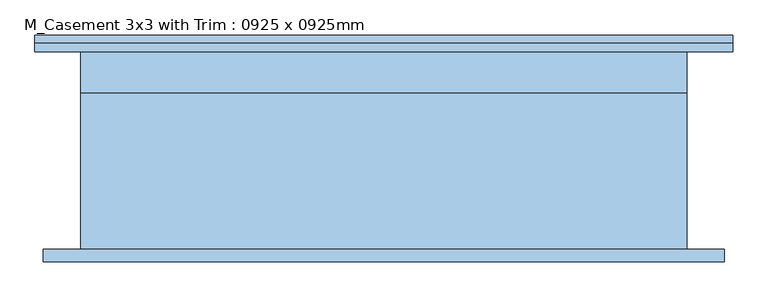
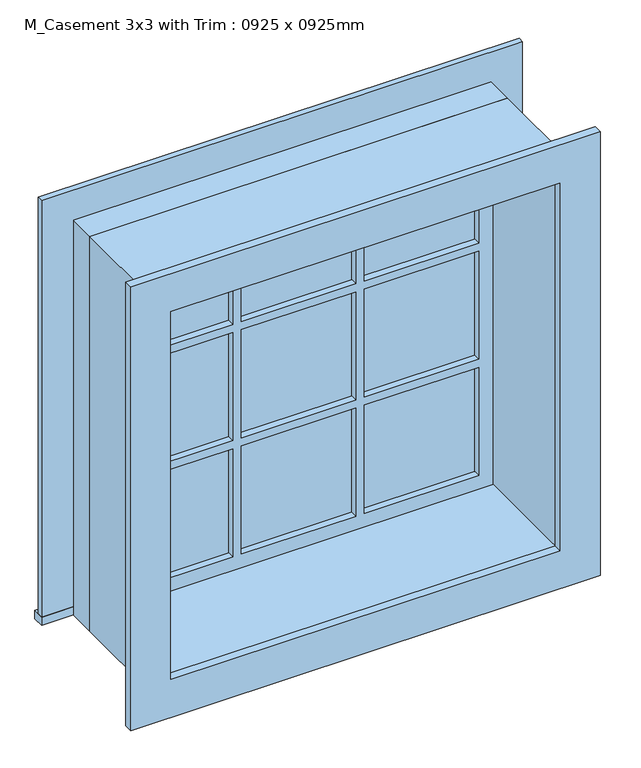
"""IFC4 building model written with IfcOpenShell, lengths in millimetres: window geometry, M_Casement 3x3 with Trim : 0925 x 0925mm."""

from ifc_helpers import new_model, si_unit, frame, origin, place, context, project, spatial, polyline, outline, extrude, source, transform, mapped, element, save


def m_casement_3x3_with_trim_0925_x_0925mm_8fae81ed(model_context):
    return source(origin(), model_context, "Body", "SweptSolid", [
        extrude(outline(polyline([(-532.45, 176.2), (532.45, 176.2), (532.45, 150.5), (-532.45, 150.5), (-532.45, 176.2)])), frame((0.0, 0.0, 915.0), z_axis=(0.0, 0.0, 1.0), x_axis=(1.0, 0.0, 0.0)), (0.0, 0.0, 1.0), 19.05),
        extrude(outline(polyline([(1820.95, -443.45), (1820.95, 443.45), (934.05, 443.45), (934.05, 532.45), (1909.95, 532.45), (1909.95, -532.45), (934.05, -532.45), (934.05, -443.45), (1820.95, -443.45)])), frame((0.0, 150.5, 0.0), z_axis=(0.0, 1.0, 0.0), x_axis=(0.0, 0.0, 1.0)), (0.0, 0.0, 1.0), 13.0),
        extrude(outline(polyline([(145.7, 115.625), (399.0, 115.625), (399.0, 102.925), (145.7, 102.925), (145.7, 115.625)])), frame((0.0, 0.0, 1523.2), z_axis=(0.0, 0.0, 1.0), x_axis=(1.0, 0.0, 0.0)), (0.0, 0.0, 1.0), 253.3),
        extrude(outline(polyline([(-126.65, 115.625), (126.65, 115.625), (126.65, 102.925), (-126.65, 102.925), (-126.65, 115.625)])), frame((0.0, 0.0, 1523.2), z_axis=(0.0, 0.0, 1.0), x_axis=(1.0, 0.0, 0.0)), (0.0, 0.0, 1.0), 253.3),
        extrude(outline(polyline([(-399.0, 115.625), (-145.7, 115.625), (-145.7, 102.925), (-399.0, 102.925), (-399.0, 115.625)])), frame((0.0, 0.0, 1523.2), z_axis=(0.0, 0.0, 1.0), x_axis=(1.0, 0.0, 0.0)), (0.0, 0.0, 1.0), 253.3),
        extrude(outline(polyline([(-399.0, 115.625), (-145.7, 115.625), (-145.7, 102.925), (-399.0, 102.925), (-399.0, 115.625)])), frame((0.0, 0.0, 1250.85), z_axis=(0.0, 0.0, 1.0), x_axis=(1.0, 0.0, 0.0)), (0.0, 0.0, 1.0), 253.3),
        extrude(outline(polyline([(-126.65, 115.625), (126.65, 115.625), (126.65, 102.925), (-126.65, 102.925), (-126.65, 115.625)])), frame((0.0, 0.0, 1250.85), z_axis=(0.0, 0.0, 1.0), x_axis=(1.0, 0.0, 0.0)), (0.0, 0.0, 1.0), 253.3),
        extrude(outline(polyline([(145.7, 115.625), (399.0, 115.625), (399.0, 102.925), (145.7, 102.925), (145.7, 115.625)])), frame((0.0, 0.0, 1250.85), z_axis=(0.0, 0.0, 1.0), x_axis=(1.0, 0.0, 0.0)), (0.0, 0.0, 1.0), 253.3),
        extrude(outline(polyline([(145.7, 115.625), (399.0, 115.625), (399.0, 102.925), (145.7, 102.925), (145.7, 115.625)])), frame((0.0, 0.0, 978.5), z_axis=(0.0, 0.0, 1.0), x_axis=(1.0, 0.0, 0.0)), (0.0, 0.0, 1.0), 253.3),
        extrude(outline(polyline([(-126.65, 115.625), (126.65, 115.625), (126.65, 102.925), (-126.65, 102.925), (-126.65, 115.625)])), frame((0.0, 0.0, 978.5), z_axis=(0.0, 0.0, 1.0), x_axis=(1.0, 0.0, 0.0)), (0.0, 0.0, 1.0), 253.3),
        extrude(outline(polyline([(-399.0, 115.625), (-145.7, 115.625), (-145.7, 102.925), (-399.0, 102.925), (-399.0, 115.625)])), frame((0.0, 0.0, 978.5), z_axis=(0.0, 0.0, 1.0), x_axis=(1.0, 0.0, 0.0)), (0.0, 0.0, 1.0), 253.3),
        extrude(outline(polyline([(1897.25, 519.75), (1897.25, -519.75), (857.75, -519.75), (857.75, 519.75), (1897.25, 519.75)]), holes=[polyline([(1808.25, 430.75), (946.75, 430.75), (946.75, -430.75), (1808.25, -430.75), (1808.25, 430.75)])]), frame((0.0, -169.5, 0.0), z_axis=(0.0, 1.0, 0.0), x_axis=(0.0, 0.0, 1.0)), (0.0, 0.0, 1.0), 19.0),
        extrude(outline(polyline([(1820.95, -443.45), (934.05, -443.45), (934.05, 443.45), (1820.95, 443.45), (1820.95, -443.45)]), holes=[polyline([(1776.5, -145.7), (1523.2, -145.7), (1523.2, -399.0), (1776.5, -399.0), (1776.5, -145.7)]), polyline([(1504.15, -145.7), (1250.85, -145.7), (1250.85, -399.0), (1504.15, -399.0), (1504.15, -145.7)]), polyline([(1231.8, -145.7), (978.5, -145.7), (978.5, -399.0), (1231.8, -399.0), (1231.8, -145.7)]), polyline([(1776.5, 126.65), (1523.2, 126.65), (1523.2, -126.65), (1776.5, -126.65), (1776.5, 126.65)]), polyline([(1504.15, 126.65), (1250.85, 126.65), (1250.85, -126.65), (1504.15, -126.65), (1504.15, 126.65)]), polyline([(1231.8, 126.65), (978.5, 126.65), (978.5, -126.65), (1231.8, -126.65), (1231.8, 126.65)]), polyline([(1776.5, 399.0), (1523.2, 399.0), (1523.2, 145.7), (1776.5, 145.7), (1776.5, 399.0)]), polyline([(1504.15, 399.0), (1250.85, 399.0), (1250.85, 145.7), (1504.15, 145.7), (1504.15, 399.0)]), polyline([(1231.8, 399.0), (978.5, 399.0), (978.5, 145.7), (1231.8, 145.7), (1231.8, 399.0)])]), frame((0.0, 87.05, 0.0), z_axis=(0.0, 1.0, 0.0), x_axis=(0.0, 0.0, 1.0)), (0.0, 0.0, 1.0), 44.45),
        extrude(outline(polyline([(1840.0, -462.5), (915.0, -462.5), (915.0, 462.5), (1840.0, 462.5), (1840.0, -462.5)]), holes=[polyline([(1808.25, -430.75), (1808.25, 430.75), (946.75, 430.75), (946.75, -430.75), (1808.25, -430.75)])]), frame((0.0, -150.5, 0.0), z_axis=(0.0, 1.0, 0.0), x_axis=(0.0, 0.0, 1.0)), (0.0, 0.0, 1.0), 237.55),
        extrude(outline(polyline([(1840.0, 462.5), (1840.0, -462.5), (915.0, -462.5), (915.0, 462.5), (1840.0, 462.5)]), holes=[polyline([(1820.95, 443.45), (934.05, 443.45), (934.05, -443.45), (1820.95, -443.45), (1820.95, 443.45)])]), frame((0.0, 87.05, 0.0), z_axis=(0.0, 1.0, 0.0), x_axis=(0.0, 0.0, 1.0)), (0.0, 0.0, 1.0), 63.45),
    ])


if __name__ == "__main__":
    model = new_model("IFC4")
    model_context = context("Model", 3, world=origin())
    ifc_project = project(units=[si_unit("LENGTHUNIT", "METRE", prefix="MILLI")], contexts=[model_context])
    site = spatial("IfcSite", under=ifc_project)
    building = spatial("IfcBuilding", under=site)
    placement = place(None, origin())
    m_casement_3x3_with_trim_0925_x_0925mm_shape = m_casement_3x3_with_trim_0925_x_0925mm_8fae81ed(model_context)
    element("IfcWindow", 1, ObjectType="M_Casement 3x3 with Trim : 0925 x 0925mm", at=placement, inside=building, context=model_context, shape_type="MappedRepresentation", body=[
        mapped(m_casement_3x3_with_trim_0925_x_0925mm_shape, transform((0.0, 0.0, 0.0), x_axis=(1.0, 0.0, 0.0), y_axis=(0.0, 1.0, 0.0), z_axis=(0.0, 0.0, 1.0))),
    ])
    save(model, "model.ifc")
